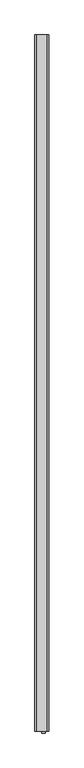
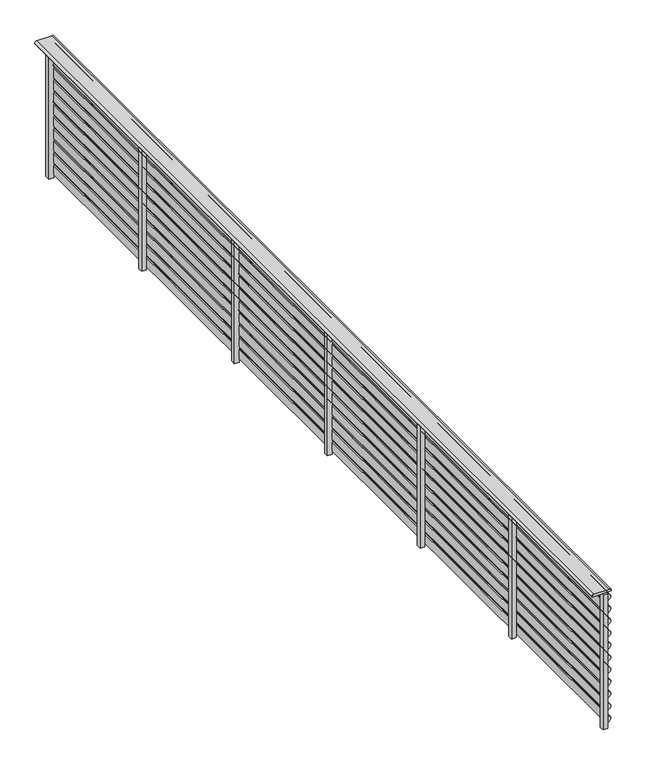
"""IFC4 building model written with IfcOpenShell, lengths in millimetres: railing geometry."""

from ifc_helpers import new_model, si_unit, point, frame, frame_2d, origin, origin_with_axes, place, context, project, spatial, polyline, circle_curve, trimmed, segment, composite_curve, outline, extrude, source, transform, mapped, element, save


def railing_ccda7d71(model_context):
    return source(origin(), model_context, "Body", "SweptSolid", [
        extrude(outline(composite_curve([segment(trimmed(circle_curve(frame_2d((888.0, -17852.3378421)), 12.0), [point((900.0, -17852.3378421))], [point((888.0, -17864.3378421))], False, "CARTESIAN"), True, "CONTINUOUS"), segment(polyline([(888.0, -17864.3378421), (884.8828423, -17864.3378421), (884.8828423, -17744.3378421), (888.0, -17744.3378421)]), True, "CONTINUOUS"), segment(trimmed(circle_curve(frame_2d((888.0, -17756.3378421)), 12.0), [point((888.0, -17744.3378421))], [point((900.0, -17756.3378421))], False, "CARTESIAN"), True, "CONTINUOUS"), segment(polyline([(900.0, -17756.3378421), (900.0, -17852.3378421)]), True, "CONTINUOUS")], self_intersect=False)), frame((0.0, -25768.5136765, 0.0), z_axis=(0.0, 1.0, 0.0), x_axis=(0.0, 0.0, 1.0)), (0.0, 0.0, 1.0), 6000.0),
        extrude(outline(composite_curve([segment(polyline([(820.0, -17774.3378421), (820.0, -17769.3378421), (828.0, -17769.3378421)]), True, "CONTINUOUS"), segment(trimmed(circle_curve(frame_2d((850.0, -17769.3378421)), 22.0), [point((828.0, -17769.3378421))], [point((872.0, -17769.3378421))], False, "CARTESIAN"), True, "CONTINUOUS"), segment(polyline([(872.0, -17769.3378421), (880.0, -17769.3378421), (880.0, -17774.3378421), (820.0, -17774.3378421)]), True, "CONTINUOUS")], self_intersect=False)), frame((0.0, -25768.5136765, 0.0), z_axis=(0.0, 1.0, 0.0), x_axis=(0.0, 0.0, 1.0)), (0.0, 0.0, 1.0), 6000.0),
        extrude(outline(composite_curve([segment(polyline([(740.0, -17774.3378421), (740.0, -17769.3378421), (748.0, -17769.3378421)]), True, "CONTINUOUS"), segment(trimmed(circle_curve(frame_2d((770.0, -17769.3378421)), 22.0), [point((748.0, -17769.3378421))], [point((792.0, -17769.3378421))], False, "CARTESIAN"), True, "CONTINUOUS"), segment(polyline([(792.0, -17769.3378421), (800.0, -17769.3378421), (800.0, -17774.3378421), (740.0, -17774.3378421)]), True, "CONTINUOUS")], self_intersect=False)), frame((0.0, -25768.5136765, 0.0), z_axis=(0.0, 1.0, 0.0), x_axis=(0.0, 0.0, 1.0)), (0.0, 0.0, 1.0), 6000.0),
        extrude(outline(composite_curve([segment(polyline([(660.0, -17774.3378421), (660.0, -17769.3378421), (668.0, -17769.3378421)]), True, "CONTINUOUS"), segment(trimmed(circle_curve(frame_2d((690.0, -17769.3378421)), 22.0), [point((668.0, -17769.3378421))], [point((712.0, -17769.3378421))], False, "CARTESIAN"), True, "CONTINUOUS"), segment(polyline([(712.0, -17769.3378421), (720.0, -17769.3378421), (720.0, -17774.3378421), (660.0, -17774.3378421)]), True, "CONTINUOUS")], self_intersect=False)), frame((0.0, -25768.5136765, 0.0), z_axis=(0.0, 1.0, 0.0), x_axis=(0.0, 0.0, 1.0)), (0.0, 0.0, 1.0), 6000.0),
        extrude(outline(composite_curve([segment(polyline([(580.0, -17774.3378421), (580.0, -17769.3378421), (588.0, -17769.3378421)]), True, "CONTINUOUS"), segment(trimmed(circle_curve(frame_2d((610.0, -17769.3378421)), 22.0), [point((588.0, -17769.3378421))], [point((632.0, -17769.3378421))], False, "CARTESIAN"), True, "CONTINUOUS"), segment(polyline([(632.0, -17769.3378421), (640.0, -17769.3378421), (640.0, -17774.3378421), (580.0, -17774.3378421)]), True, "CONTINUOUS")], self_intersect=False)), frame((0.0, -25768.5136765, 0.0), z_axis=(0.0, 1.0, 0.0), x_axis=(0.0, 0.0, 1.0)), (0.0, 0.0, 1.0), 6000.0),
        extrude(outline(composite_curve([segment(polyline([(500.0, -17774.3378421), (500.0, -17769.3378421), (508.0, -17769.3378421)]), True, "CONTINUOUS"), segment(trimmed(circle_curve(frame_2d((530.0, -17769.3378421)), 22.0), [point((508.0, -17769.3378421))], [point((552.0, -17769.3378421))], False, "CARTESIAN"), True, "CONTINUOUS"), segment(polyline([(552.0, -17769.3378421), (560.0, -17769.3378421), (560.0, -17774.3378421), (500.0, -17774.3378421)]), True, "CONTINUOUS")], self_intersect=False)), frame((0.0, -25768.5136765, 0.0), z_axis=(0.0, 1.0, 0.0), x_axis=(0.0, 0.0, 1.0)), (0.0, 0.0, 1.0), 6000.0),
        extrude(outline(composite_curve([segment(polyline([(420.0, -17774.3378421), (420.0, -17769.3378421), (428.0, -17769.3378421)]), True, "CONTINUOUS"), segment(trimmed(circle_curve(frame_2d((450.0, -17769.3378421)), 22.0), [point((428.0, -17769.3378421))], [point((472.0, -17769.3378421))], False, "CARTESIAN"), True, "CONTINUOUS"), segment(polyline([(472.0, -17769.3378421), (480.0, -17769.3378421), (480.0, -17774.3378421), (420.0, -17774.3378421)]), True, "CONTINUOUS")], self_intersect=False)), frame((0.0, -25768.5136765, 0.0), z_axis=(0.0, 1.0, 0.0), x_axis=(0.0, 0.0, 1.0)), (0.0, 0.0, 1.0), 6000.0),
        extrude(outline(composite_curve([segment(polyline([(340.0, -17774.3378421), (340.0, -17769.3378421), (348.0, -17769.3378421)]), True, "CONTINUOUS"), segment(trimmed(circle_curve(frame_2d((370.0, -17769.3378421)), 22.0), [point((348.0, -17769.3378421))], [point((392.0, -17769.3378421))], False, "CARTESIAN"), True, "CONTINUOUS"), segment(polyline([(392.0, -17769.3378421), (400.0, -17769.3378421), (400.0, -17774.3378421), (340.0, -17774.3378421)]), True, "CONTINUOUS")], self_intersect=False)), frame((0.0, -25768.5136765, 0.0), z_axis=(0.0, 1.0, 0.0), x_axis=(0.0, 0.0, 1.0)), (0.0, 0.0, 1.0), 6000.0),
        extrude(outline(composite_curve([segment(polyline([(260.0, -17774.3378421), (260.0, -17769.3378421), (268.0, -17769.3378421)]), True, "CONTINUOUS"), segment(trimmed(circle_curve(frame_2d((290.0, -17769.3378421)), 22.0), [point((268.0, -17769.3378421))], [point((312.0, -17769.3378421))], False, "CARTESIAN"), True, "CONTINUOUS"), segment(polyline([(312.0, -17769.3378421), (320.0, -17769.3378421), (320.0, -17774.3378421), (260.0, -17774.3378421)]), True, "CONTINUOUS")], self_intersect=False)), frame((0.0, -25768.5136765, 0.0), z_axis=(0.0, 1.0, 0.0), x_axis=(0.0, 0.0, 1.0)), (0.0, 0.0, 1.0), 6000.0),
        extrude(outline(composite_curve([segment(polyline([(180.0, -17774.3378421), (180.0, -17769.3378421), (188.0, -17769.3378421)]), True, "CONTINUOUS"), segment(trimmed(circle_curve(frame_2d((210.0, -17769.3378421)), 22.0), [point((188.0, -17769.3378421))], [point((232.0, -17769.3378421))], False, "CARTESIAN"), True, "CONTINUOUS"), segment(polyline([(232.0, -17769.3378421), (240.0, -17769.3378421), (240.0, -17774.3378421), (180.0, -17774.3378421)]), True, "CONTINUOUS")], self_intersect=False)), frame((0.0, -25768.5136765, 0.0), z_axis=(0.0, 1.0, 0.0), x_axis=(0.0, 0.0, 1.0)), (0.0, 0.0, 1.0), 6000.0),
        extrude(outline(composite_curve([segment(polyline([(100.0, -17774.3378421), (100.0, -17769.3378421), (108.0, -17769.3378421)]), True, "CONTINUOUS"), segment(trimmed(circle_curve(frame_2d((130.0, -17769.3378421)), 22.0), [point((108.0, -17769.3378421))], [point((152.0, -17769.3378421))], False, "CARTESIAN"), True, "CONTINUOUS"), segment(polyline([(152.0, -17769.3378421), (160.0, -17769.3378421), (160.0, -17774.3378421), (100.0, -17774.3378421)]), True, "CONTINUOUS")], self_intersect=False)), frame((0.0, -25768.5136765, 0.0), z_axis=(0.0, 1.0, 0.0), x_axis=(0.0, 0.0, 1.0)), (0.0, 0.0, 1.0), 6000.0),
        extrude(outline(composite_curve([segment(polyline([(20.0, -17774.3378421), (20.0, -17769.3378421), (28.0, -17769.3378421)]), True, "CONTINUOUS"), segment(trimmed(circle_curve(frame_2d((50.0, -17769.3378421)), 22.0), [point((28.0, -17769.3378421))], [point((72.0, -17769.3378421))], False, "CARTESIAN"), True, "CONTINUOUS"), segment(polyline([(72.0, -17769.3378421), (80.0, -17769.3378421), (80.0, -17774.3378421), (20.0, -17774.3378421)]), True, "CONTINUOUS")], self_intersect=False)), frame((0.0, -25768.5136765, 0.0), z_axis=(0.0, 1.0, 0.0), x_axis=(0.0, 0.0, 1.0)), (0.0, 0.0, 1.0), 6000.0),
        extrude(outline(polyline([(-17774.3378421, -19813.5136765), (-17804.3378421, -19813.5136765), (-17804.3378421, -19783.5136765), (-17774.3378421, -19783.5136765), (-17774.3378421, -19813.5136765)])), origin_with_axes(), (0.0, 0.0, 1.0), 884.8828423),
        extrude(outline(polyline([(-17774.3378421, -20813.5136765), (-17804.3378421, -20813.5136765), (-17804.3378421, -20783.5136765), (-17774.3378421, -20783.5136765), (-17774.3378421, -20813.5136765)])), origin_with_axes(), (0.0, 0.0, 1.0), 884.8828423),
        extrude(outline(polyline([(-17774.3378421, -21813.5136765), (-17804.3378421, -21813.5136765), (-17804.3378421, -21783.5136765), (-17774.3378421, -21783.5136765), (-17774.3378421, -21813.5136765)])), origin_with_axes(), (0.0, 0.0, 1.0), 884.8828423),
        extrude(outline(polyline([(-17774.3378421, -22813.5136765), (-17804.3378421, -22813.5136765), (-17804.3378421, -22783.5136765), (-17774.3378421, -22783.5136765), (-17774.3378421, -22813.5136765)])), origin_with_axes(), (0.0, 0.0, 1.0), 884.8828423),
        extrude(outline(polyline([(-17774.3378421, -23813.5136765), (-17804.3378421, -23813.5136765), (-17804.3378421, -23783.5136765), (-17774.3378421, -23783.5136765), (-17774.3378421, -23813.5136765)])), origin_with_axes(), (0.0, 0.0, 1.0), 884.8828423),
        extrude(outline(polyline([(-17774.3378421, -24798.5136765), (-17804.3378421, -24798.5136765), (-17804.3378421, -24768.5136765), (-17774.3378421, -24768.5136765), (-17774.3378421, -24798.5136765)])), origin_with_axes(), (0.0, 0.0, 1.0), 884.8828423),
        extrude(outline(polyline([(-17774.3378421, -25783.5136765), (-17804.3378421, -25783.5136765), (-17804.3378421, -25753.5136765), (-17774.3378421, -25753.5136765), (-17774.3378421, -25783.5136765)])), origin_with_axes(), (0.0, 0.0, 1.0), 884.8828423),
    ])


if __name__ == "__main__":
    model = new_model("IFC4")
    model_context = context("Model", 3, world=origin())
    ifc_project = project(units=[si_unit("LENGTHUNIT", "METRE", prefix="MILLI")], contexts=[model_context])
    site = spatial("IfcSite", under=ifc_project)
    building = spatial("IfcBuilding", under=site)
    placement = place(None, origin())
    railing_shape = railing_ccda7d71(model_context)
    element("IfcRailing", 1, at=placement, inside=building, context=model_context, shape_type="MappedRepresentation", body=[
        mapped(railing_shape, transform((0.0, 0.0, 0.0), x_axis=(1.0, 0.0, 0.0), y_axis=(0.0, 1.0, 0.0), z_axis=(0.0, 0.0, 1.0))),
    ])
    save(model, "model.ifc")
